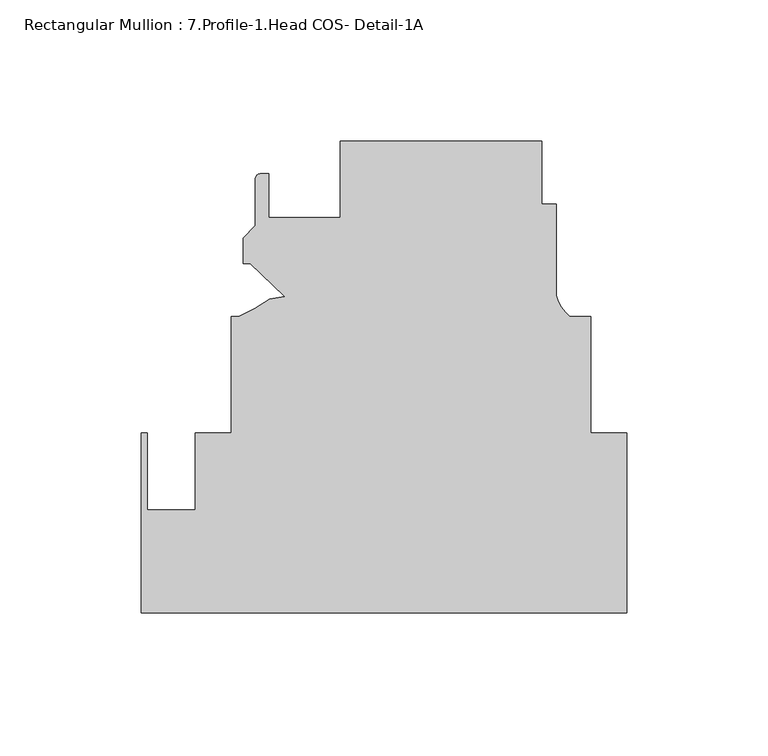
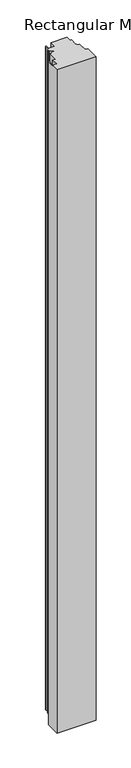
"""IFC4 building model written with IfcOpenShell, lengths in millimetres: member geometry, Rectangular Mullion : 7.Profile-1.Head COS- Detail-1A."""

from ifc_helpers import new_model, si_unit, point, frame, frame_2d, origin, place, context, project, spatial, polyline, circle_curve, trimmed, segment, composite_curve, outline, extrude, source, transform, mapped, element, save


def rectangular_mullion_7_profile_1_head_cos_detail_1a_9a43e65a(model_context):
    return source(origin(), model_context, "Body", "SweptSolid", [
        extrude(outline(composite_curve([segment(polyline([(-29.993716, 166.6874997), (-29.993716, 144.4624997), (-24.913716, 144.4624997), (-24.913716, 112.0675123)]), True, "CONTINUOUS"), segment(trimmed(circle_curve(frame_2d((-11.6829023, 115.5946813)), 13.6928942), [point((-24.913716, 112.0675123))], [point((-20.0751512, 104.7749997))], True, "CARTESIAN"), True, "CONTINUOUS"), segment(polyline([(-20.0751512, 104.7749997), (-12.7059974, 104.7749997), (-12.7059974, 63.5254), (0.0, 63.5254), (0.0, 0.0), (-171.4499999, 0.0), (-171.4499999, 63.4999996), (-169.4179999, 63.4999996), (-169.4179999, 36.3401991), (-152.5173426, 36.3401991), (-152.5173426, 63.4999996), (-139.7059974, 63.4999996), (-139.7059974, 104.7749997), (-137.0039161, 104.7749997)]), True, "CONTINUOUS"), segment(trimmed(circle_curve(frame_2d((-158.9273579, 156.4307299)), 56.1155216), [point((-137.0039161, 104.7749997))], [point((-126.1709186, 110.8679441))], True, "CARTESIAN"), True, "CONTINUOUS"), segment(polyline([(-126.1709186, 110.8679441), (-120.734135, 111.8265957), (-132.9399161, 123.4511492), (-135.479916, 123.4511492), (-135.479916, 132.5514414), (-131.212716, 136.8186414), (-131.212716, 153.4231492)]), True, "CONTINUOUS"), segment(trimmed(circle_curve(frame_2d((-129.434716, 153.4231492)), 1.778), [point((-131.212716, 153.4231492))], [point((-129.434716, 155.2011492))], False, "CARTESIAN"), True, "CONTINUOUS"), segment(polyline([(-129.434716, 155.2011492), (-126.5137158, 155.2011492), (-126.5137158, 139.6999997), (-101.113716, 139.6999997), (-101.113716, 166.6874997), (-29.993716, 166.6874997)]), True, "CONTINUOUS")], self_intersect=False)), frame((0.0, 0.0, -3048.0), z_axis=(0.0, 0.0, 1.0), x_axis=(1.0, 0.0, 0.0)), (0.0, 0.0, 1.0), 3048.0),
    ])


if __name__ == "__main__":
    model = new_model("IFC4")
    model_context = context("Model", 3, world=origin())
    ifc_project = project(units=[si_unit("LENGTHUNIT", "METRE", prefix="MILLI")], contexts=[model_context])
    site = spatial("IfcSite", under=ifc_project)
    building = spatial("IfcBuilding", under=site)
    placement = place(None, origin())
    rectangular_mullion_7_profile_1_head_cos_detail_1a_shape = rectangular_mullion_7_profile_1_head_cos_detail_1a_9a43e65a(model_context)
    element("IfcMember", 1, ObjectType="Rectangular Mullion : 7.Profile-1.Head COS- Detail-1A", at=placement, inside=building, context=model_context, shape_type="MappedRepresentation", body=[
        mapped(rectangular_mullion_7_profile_1_head_cos_detail_1a_shape, transform((0.0, 0.0, 0.0), x_axis=(1.0, 0.0, 0.0), y_axis=(0.0, 1.0, 0.0), z_axis=(0.0, 0.0, 1.0))),
    ])
    save(model, "model.ifc")
